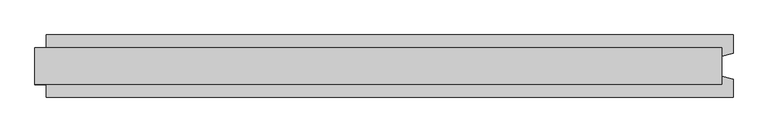
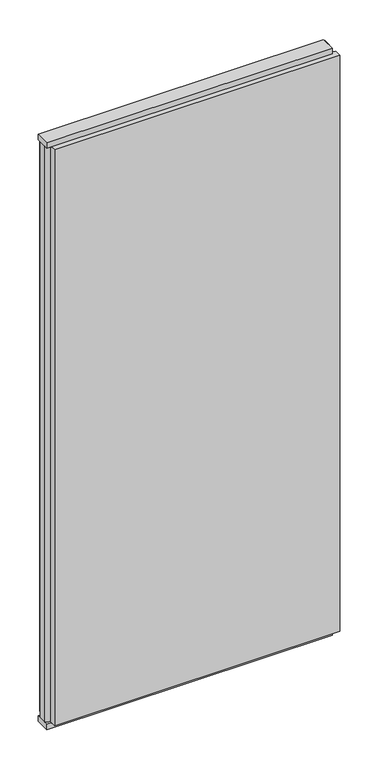
"""IFC4 building model written with IfcOpenShell, lengths in millimetres: plate geometry."""

from ifc_helpers import new_model, si_unit, frame, origin, origin_with_axes, place, context, project, spatial, polyline, outline, extrude, source, transform, mapped, element, save


def plate_34b3e095(model_context):
    return source(origin(), model_context, "Body", "SweptSolid", [
        extrude(outline(polyline([(603.75, -32.0), (-603.75, -32.0), (-603.75, 32.0), (603.75, 32.0), (603.75, -32.0)])), origin_with_axes(), (0.0, 0.0, 1.0), 25.0),
        extrude(outline(polyline([(603.75, -32.0), (-603.75, -32.0), (-603.75, 32.0), (603.75, 32.0), (603.75, -32.0)])), frame((0.0, 0.0, 2602.0), z_axis=(0.0, 0.0, 1.0), x_axis=(1.0, 0.0, 0.0)), (0.0, 0.0, 1.0), 25.0),
        extrude(outline(polyline([(623.75, -55.0), (-583.75, -55.0), (-583.75, -22.9993165), (-603.75, -17.6401049), (-603.75, 17.6401049), (-583.75, 22.9993165), (-583.75, 55.0), (623.75, 55.0), (623.75, 22.9993165), (603.75, 17.6401049), (603.75, -17.6401049), (623.75, -22.9993165), (623.75, -55.0)])), frame((0.0, 0.0, 25.0), z_axis=(0.0, 0.0, 1.0), x_axis=(1.0, 0.0, 0.0)), (0.0, 0.0, 1.0), 2577.0),
    ])


if __name__ == "__main__":
    model = new_model("IFC4")
    model_context = context("Model", 3, world=origin())
    ifc_project = project(units=[si_unit("LENGTHUNIT", "METRE", prefix="MILLI")], contexts=[model_context])
    site = spatial("IfcSite", under=ifc_project)
    building = spatial("IfcBuilding", under=site)
    placement = place(None, origin())
    plate_shape = plate_34b3e095(model_context)
    element("IfcPlate", 1, at=placement, inside=building, context=model_context, shape_type="MappedRepresentation", body=[
        mapped(plate_shape, transform((0.0, 0.0, 0.0), x_axis=(1.0, 0.0, 0.0), y_axis=(0.0, 1.0, 0.0), z_axis=(0.0, 0.0, 1.0))),
    ])
    save(model, "model.ifc")
